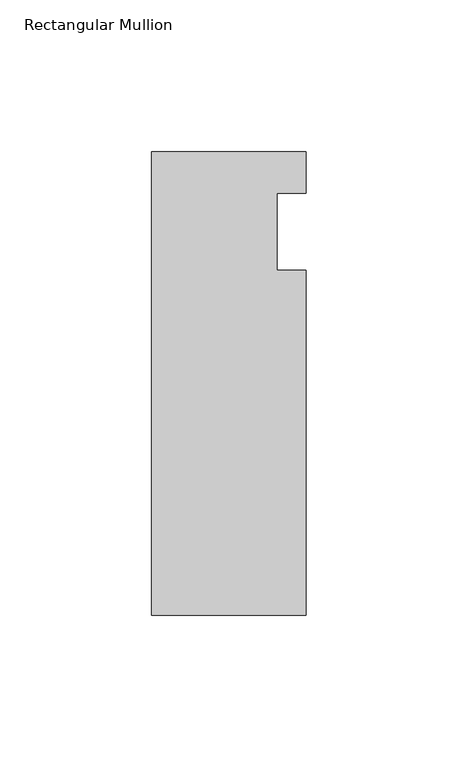
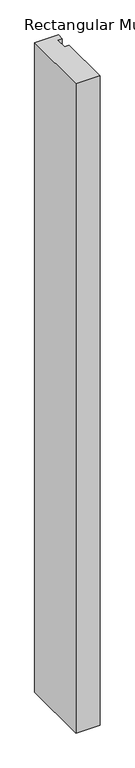
"""IFC4 building model written with IfcOpenShell, lengths in millimetres: member geometry, Rectangular Mullion."""

import ifcopenshell
import ifcopenshell.guid

model = None  # the IFC model being written
_history = None  # IfcOwnerHistory: only IFC2X3 demands one
_inside = {}  # id of a spatial element -> (the spatial element, [elements in it])
_under = {}  # id of a project, library or spatial element -> (it, [spatial elements below it])
_declared = {}  # id of a project -> (the project, [libraries it declares])
_typed = {}  # id of a type object -> (the type object, [elements of that type])
_made_of = {}  # id of a material, layer set ... -> (it, [elements and type objects made of it])


def new_model(schema):
    """Start an empty IFC model of exactly this schema.

    Asked for "IFC4X3", IfcOpenShell would pick the latest addendum, in which some entities
    have other attributes; the version numbers below select the first issue.
    IFC2X3 requires an IfcOwnerHistory on every rooted entity: one is made here for all.
    """
    global model, _history
    if schema == "IFC4X3":
        model = ifcopenshell.file(schema_version=(4, 3, 0, 0))
    else:
        model = ifcopenshell.file(schema=schema)
    _inside.clear()
    _under.clear()
    _declared.clear()
    _typed.clear()
    _made_of.clear()
    _history = None
    if model.schema == "IFC2X3":
        org = make("IfcOrganization", Name="unknown")
        user = make(
            "IfcPersonAndOrganization",
            ThePerson=make("IfcPerson", FamilyName="unknown"),
            TheOrganization=org,
        )
        app = make(
            "IfcApplication",
            ApplicationDeveloper=org,
            Version="unknown",
            ApplicationFullName="unknown",
            ApplicationIdentifier="unknown",
        )
        _history = make(
            "IfcOwnerHistory",
            OwningUser=user,
            OwningApplication=app,
            ChangeAction="ADDED",
            CreationDate=0,
        )
    return model


def make(cls, **values):
    """One entity of the class cls with the attributes given. An attribute that is None is left unset."""
    return model.create_entity(
        cls, **{name: value for name, value in values.items() if value is not None}
    )


def rooted(cls, **values):
    """An entity with a GlobalId (a new one), such as an element, a storey or a relation."""
    return make(cls, GlobalId=ifcopenshell.guid.new(), OwnerHistory=_history, **values)


def si_unit(unit_type, name, prefix=None):
    """IfcSIUnit, for example si_unit("LENGTHUNIT", "METRE", prefix="MILLI")."""
    return make("IfcSIUnit", UnitType=unit_type, Prefix=prefix, Name=name)


def assignment(units):
    """IfcUnitAssignment: the units of a project."""
    return None if units is None else make("IfcUnitAssignment", Units=units)


def point(xyz):
    """IfcCartesianPoint."""
    return None if xyz is None else make("IfcCartesianPoint", Coordinates=xyz)


def direction(xyz):
    """IfcDirection."""
    return None if xyz is None else make("IfcDirection", DirectionRatios=xyz)


def frame(location, z_axis=None, x_axis=None):
    """IfcAxis2Placement3D, a coordinate frame: its origin and axes. An axis left out is left unset."""
    return make(
        "IfcAxis2Placement3D",
        Location=point(location),
        Axis=direction(z_axis),
        RefDirection=direction(x_axis),
    )


def origin():
    """The frame at (0, 0, 0) with its axes left unset."""
    return frame((0.0, 0.0, 0.0))


def place(relative_to, where):
    """IfcLocalPlacement: puts the frame where relative to a parent placement (None: the world)."""
    return make(
        "IfcLocalPlacement", PlacementRelTo=relative_to, RelativePlacement=where
    )


def context(
    kind, dimensions, precision=None, world=None, true_north=None, identifier=None
):
    """IfcGeometricRepresentationContext, for example the 3D "Model" context."""
    return make(
        "IfcGeometricRepresentationContext",
        ContextIdentifier=identifier,
        ContextType=kind,
        CoordinateSpaceDimension=dimensions,
        Precision=precision,
        WorldCoordinateSystem=world,
        TrueNorth=true_north,
    )


def project(units=None, contexts=None):
    """IfcProject with its units and contexts."""
    return rooted(
        "IfcProject",
        Name="project",
        RepresentationContexts=contexts,
        UnitsInContext=assignment(units),
    )


def spatial(cls, under=None, at=None, **own):
    """A site, building, storey or space (cls), placed at a placement, below another one or the project."""
    s = rooted(cls, ObjectPlacement=at, **own)
    if under is not None:
        _under.setdefault(under.id(), (under, []))[1].append(s)
    return s


def polyline(points):
    """IfcPolyline through the points."""
    return make("IfcPolyline", Points=[point(p) for p in points])


def outline(outer, holes=None, kind="AREA"):
    """IfcArbitraryClosedProfileDef: a profile drawn as a closed curve; with holes, ...WithVoids."""
    if holes is None:
        return make("IfcArbitraryClosedProfileDef", ProfileType=kind, OuterCurve=outer)
    return make(
        "IfcArbitraryProfileDefWithVoids",
        ProfileType=kind,
        OuterCurve=outer,
        InnerCurves=holes,
    )


def extrude(swept, where, along, depth):
    """IfcExtrudedAreaSolid: the profile swept, set in the frame where, extruded along a direction by depth."""
    return make(
        "IfcExtrudedAreaSolid",
        SweptArea=swept,
        Position=where,
        ExtrudedDirection=direction(along),
        Depth=depth,
    )


def shape(context_of_items, identifier, shape_type, items):
    """IfcShapeRepresentation: the items that make up one representation, for example the "Body"."""
    return make(
        "IfcShapeRepresentation",
        ContextOfItems=context_of_items,
        RepresentationIdentifier=identifier,
        RepresentationType=shape_type,
        Items=items,
    )


def source(mapping_origin, context_of_items, identifier, shape_type, items):
    """IfcRepresentationMap: a shape defined once, which mapped items show again and again."""
    return make(
        "IfcRepresentationMap",
        MappingOrigin=mapping_origin,
        MappedRepresentation=shape(context_of_items, identifier, shape_type, items),
    )


def transform(
    local_origin,
    x_axis=None,
    y_axis=None,
    z_axis=None,
    scale=None,
    scale2=None,
    scale3=None,
    uniform=True,
):
    """IfcCartesianTransformationOperator3D, or its non-uniform kind. x_axis, y_axis, z_axis: its Axis1, 2, 3."""
    if uniform:
        return make(
            "IfcCartesianTransformationOperator3D",
            Axis1=direction(x_axis),
            Axis2=direction(y_axis),
            LocalOrigin=point(local_origin),
            Scale=scale,
            Axis3=direction(z_axis),
        )
    return make(
        "IfcCartesianTransformationOperator3DnonUniform",
        Axis1=direction(x_axis),
        Axis2=direction(y_axis),
        LocalOrigin=point(local_origin),
        Scale=scale,
        Axis3=direction(z_axis),
        Scale2=scale2,
        Scale3=scale3,
    )


def mapped(mapping_source, mapping_target):
    """IfcMappedItem: shows the shape of a source again, moved by a transform."""
    return make(
        "IfcMappedItem", MappingSource=mapping_source, MappingTarget=mapping_target
    )


def made_of(thing, what):
    """Note that an element or type object is made of a material, layer set ...; save() writes the relation."""
    if what is not None:
        _made_of.setdefault(what.id(), (what, []))[1].append(thing)
    return thing


def element(
    cls,
    number,
    at=None,
    inside=None,
    cuts=None,
    type_object=None,
    material=None,
    context=None,
    identifier="Body",
    shape_type=None,
    held_by="IfcProductDefinitionShape",
    body=None,
    shapes=None,
    **own,
):
    """One element of the class cls, such as IfcWall. Its Tag is "e" and its number.

    at: its placement. inside: the storey or other place that contains it. cuts: it is an
    opening in that element (IfcRelVoidsElement). A single representation is given by context,
    identifier, shape_type and body (its items); several are given by shapes. held_by: the class
    of the entity that holds the representations. save() writes the other relations.
    """
    e = rooted(cls, Tag="e%d" % number, ObjectPlacement=at, **own)
    if body is not None:
        shapes = [shape(context, identifier, shape_type, body)]
    if shapes is not None:
        e.Representation = make(held_by, Representations=shapes)
    if inside is not None:
        _inside.setdefault(inside.id(), (inside, []))[1].append(e)
    if cuts is not None:
        rooted(
            "IfcRelVoidsElement", RelatingBuildingElement=cuts, RelatedOpeningElement=e
        )
    if type_object is not None:
        _typed.setdefault(type_object.id(), (type_object, []))[1].append(e)
    return made_of(e, material)


def aggregate(whole, parts):
    """IfcRelAggregates: a whole, such as a stair, and the parts it consists of."""
    return rooted("IfcRelAggregates", RelatingObject=whole, RelatedObjects=parts)


def save(model, path):
    """Write the relations noted so far, then the file.

    IfcRelAggregates (storeys below a building ...), IfcRelContainedInSpatialStructure (elements
    in a storey), IfcRelDefinesByType, IfcRelAssociatesMaterial and IfcRelDeclares: one each for
    every whole, place, type object, material and project.
    """
    for whole, parts in _under.values():
        aggregate(whole, parts)
    for where, things in _inside.values():
        rooted(
            "IfcRelContainedInSpatialStructure",
            RelatedElements=things,
            RelatingStructure=where,
        )
    for kind, things in _typed.values():
        rooted("IfcRelDefinesByType", RelatedObjects=things, RelatingType=kind)
    for what, things in _made_of.values():
        rooted("IfcRelAssociatesMaterial", RelatedObjects=things, RelatingMaterial=what)
    for by, libraries in _declared.values():
        rooted("IfcRelDeclares", RelatingContext=by, RelatedDefinitions=libraries)
    model.write(path)


def rectangular_mullion_9405ccc5(model_context):
    return source(origin(), model_context, "Body", "SweptSolid", [
        extrude(outline(polyline([(-25.4, 26.19375), (25.4, 26.19375), (25.4, 12.7), (15.875, 12.7), (15.875, -12.7), (25.4, -12.7), (25.4, -126.20625), (-25.4, -126.20625), (-25.4, 26.19375)])), frame((0.0, 0.0, -1460.5), z_axis=(0.0, 0.0, 1.0), x_axis=(1.0, 0.0, 0.0)), (0.0, 0.0, 1.0), 1460.5),
    ])


if __name__ == "__main__":
    model = new_model("IFC4")
    model_context = context("Model", 3, world=origin())
    ifc_project = project(units=[si_unit("LENGTHUNIT", "METRE", prefix="MILLI")], contexts=[model_context])
    site = spatial("IfcSite", under=ifc_project)
    building = spatial("IfcBuilding", under=site)
    placement = place(None, origin())
    rectangular_mullion_shape = rectangular_mullion_9405ccc5(model_context)
    element("IfcMember", 1, ObjectType="Rectangular Mullion", at=placement, inside=building, context=model_context, shape_type="MappedRepresentation", body=[
        mapped(rectangular_mullion_shape, transform((0.0, 0.0, 0.0), x_axis=(1.0, 0.0, 0.0), y_axis=(0.0, 1.0, 0.0), z_axis=(0.0, 0.0, 1.0))),
    ])
    save(model, "model.ifc")
